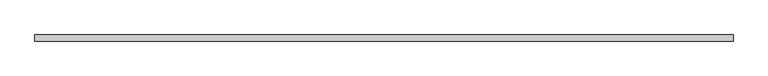
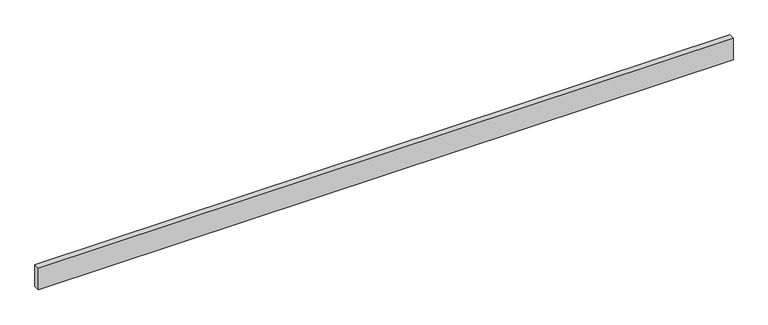
"""IFC4 building model written with IfcOpenShell, lengths in millimetres: beam geometry."""

from ifc_helpers import new_model, si_unit, frame, origin, place, context, project, spatial, polyline, outline, extrude, source, transform, mapped, element, save


def beam_0f98033b(model_context):
    return source(origin(), model_context, "Body", "SweptSolid", [
        extrude(outline(polyline([(2159.0, -19.05), (-2159.0, -19.05), (-2159.0, 19.05), (2159.0, 19.05), (2159.0, -19.05)])), frame((0.0, 0.0, -69.85), z_axis=(0.0, 0.0, 1.0), x_axis=(1.0, 0.0, 0.0)), (0.0, 0.0, 1.0), 139.7),
    ])


if __name__ == "__main__":
    model = new_model("IFC4")
    model_context = context("Model", 3, world=origin())
    ifc_project = project(units=[si_unit("LENGTHUNIT", "METRE", prefix="MILLI")], contexts=[model_context])
    site = spatial("IfcSite", under=ifc_project)
    building = spatial("IfcBuilding", under=site)
    placement = place(None, origin())
    beam_shape = beam_0f98033b(model_context)
    element("IfcBeam", 1, at=placement, inside=building, context=model_context, shape_type="MappedRepresentation", body=[
        mapped(beam_shape, transform((0.0, 0.0, 0.0), x_axis=(1.0, 0.0, 0.0), y_axis=(0.0, 1.0, 0.0), z_axis=(0.0, 0.0, 1.0))),
    ])
    save(model, "model.ifc")
